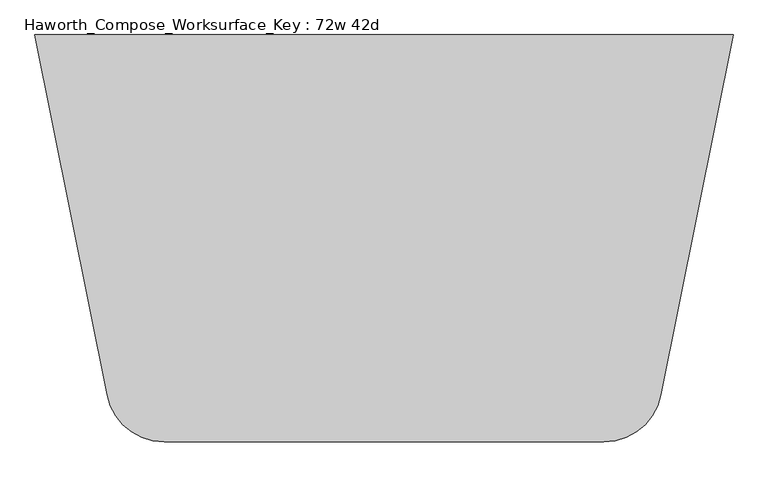
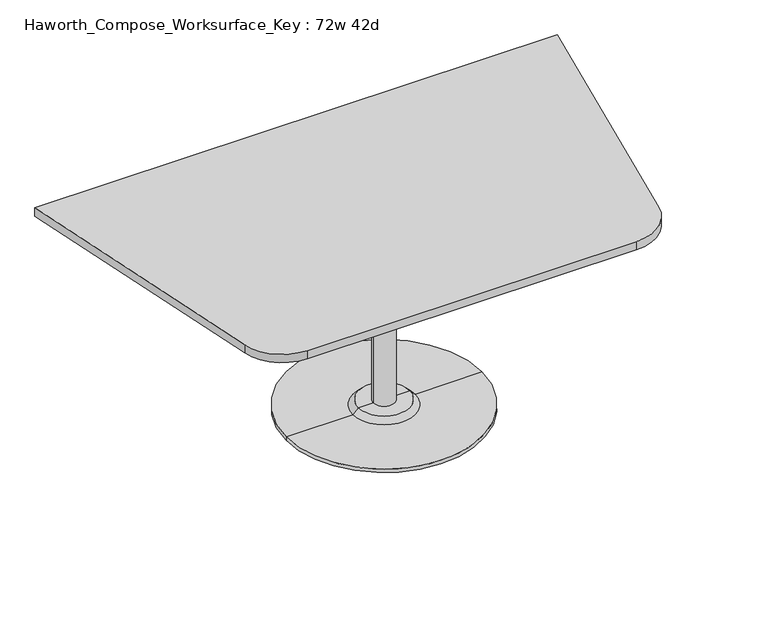
"""IFC4 building model written with IfcOpenShell, lengths in millimetres: furniture geometry, Haworth_Compose_Worksurface_Key : 72w 42d."""

import ifcopenshell
import ifcopenshell.guid

model = None  # the IFC model being written
_history = None  # IfcOwnerHistory: only IFC2X3 demands one
_inside = {}  # id of a spatial element -> (the spatial element, [elements in it])
_under = {}  # id of a project, library or spatial element -> (it, [spatial elements below it])
_declared = {}  # id of a project -> (the project, [libraries it declares])
_typed = {}  # id of a type object -> (the type object, [elements of that type])
_made_of = {}  # id of a material, layer set ... -> (it, [elements and type objects made of it])


def new_model(schema):
    """Start an empty IFC model of exactly this schema.

    Asked for "IFC4X3", IfcOpenShell would pick the latest addendum, in which some entities
    have other attributes; the version numbers below select the first issue.
    IFC2X3 requires an IfcOwnerHistory on every rooted entity: one is made here for all.
    """
    global model, _history
    if schema == "IFC4X3":
        model = ifcopenshell.file(schema_version=(4, 3, 0, 0))
    else:
        model = ifcopenshell.file(schema=schema)
    _inside.clear()
    _under.clear()
    _declared.clear()
    _typed.clear()
    _made_of.clear()
    _history = None
    if model.schema == "IFC2X3":
        org = make("IfcOrganization", Name="unknown")
        user = make(
            "IfcPersonAndOrganization",
            ThePerson=make("IfcPerson", FamilyName="unknown"),
            TheOrganization=org,
        )
        app = make(
            "IfcApplication",
            ApplicationDeveloper=org,
            Version="unknown",
            ApplicationFullName="unknown",
            ApplicationIdentifier="unknown",
        )
        _history = make(
            "IfcOwnerHistory",
            OwningUser=user,
            OwningApplication=app,
            ChangeAction="ADDED",
            CreationDate=0,
        )
    return model


def make(cls, **values):
    """One entity of the class cls with the attributes given. An attribute that is None is left unset."""
    return model.create_entity(
        cls, **{name: value for name, value in values.items() if value is not None}
    )


def rooted(cls, **values):
    """An entity with a GlobalId (a new one), such as an element, a storey or a relation."""
    return make(cls, GlobalId=ifcopenshell.guid.new(), OwnerHistory=_history, **values)


def si_unit(unit_type, name, prefix=None):
    """IfcSIUnit, for example si_unit("LENGTHUNIT", "METRE", prefix="MILLI")."""
    return make("IfcSIUnit", UnitType=unit_type, Prefix=prefix, Name=name)


def assignment(units):
    """IfcUnitAssignment: the units of a project."""
    return None if units is None else make("IfcUnitAssignment", Units=units)


def point(xyz):
    """IfcCartesianPoint."""
    return None if xyz is None else make("IfcCartesianPoint", Coordinates=xyz)


def direction(xyz):
    """IfcDirection."""
    return None if xyz is None else make("IfcDirection", DirectionRatios=xyz)


def frame(location, z_axis=None, x_axis=None):
    """IfcAxis2Placement3D, a coordinate frame: its origin and axes. An axis left out is left unset."""
    return make(
        "IfcAxis2Placement3D",
        Location=point(location),
        Axis=direction(z_axis),
        RefDirection=direction(x_axis),
    )


def frame_2d(location, x_axis=None):
    """IfcAxis2Placement2D, a coordinate frame in the plane: its origin and x axis."""
    return make(
        "IfcAxis2Placement2D", Location=point(location), RefDirection=direction(x_axis)
    )


def origin():
    """The frame at (0, 0, 0) with its axes left unset."""
    return frame((0.0, 0.0, 0.0))


def place(relative_to, where):
    """IfcLocalPlacement: puts the frame where relative to a parent placement (None: the world)."""
    return make(
        "IfcLocalPlacement", PlacementRelTo=relative_to, RelativePlacement=where
    )


def context(
    kind, dimensions, precision=None, world=None, true_north=None, identifier=None
):
    """IfcGeometricRepresentationContext, for example the 3D "Model" context."""
    return make(
        "IfcGeometricRepresentationContext",
        ContextIdentifier=identifier,
        ContextType=kind,
        CoordinateSpaceDimension=dimensions,
        Precision=precision,
        WorldCoordinateSystem=world,
        TrueNorth=true_north,
    )


def project(units=None, contexts=None):
    """IfcProject with its units and contexts."""
    return rooted(
        "IfcProject",
        Name="project",
        RepresentationContexts=contexts,
        UnitsInContext=assignment(units),
    )


def spatial(cls, under=None, at=None, **own):
    """A site, building, storey or space (cls), placed at a placement, below another one or the project."""
    s = rooted(cls, ObjectPlacement=at, **own)
    if under is not None:
        _under.setdefault(under.id(), (under, []))[1].append(s)
    return s


def polyline(points):
    """IfcPolyline through the points."""
    return make("IfcPolyline", Points=[point(p) for p in points])


def circle_curve(where, radius):
    """IfcCircle in the frame where."""
    return make("IfcCircle", Position=where, Radius=radius)


def trimmed(basis, trim1, trim2, sense, master):
    """IfcTrimmedCurve: the piece of a basis curve between two trims."""
    return make(
        "IfcTrimmedCurve",
        BasisCurve=basis,
        Trim1=trim1,
        Trim2=trim2,
        SenseAgreement=sense,
        MasterRepresentation=master,
    )


def segment(curve, same_sense, transition):
    """IfcCompositeCurveSegment."""
    return make(
        "IfcCompositeCurveSegment",
        Transition=transition,
        SameSense=same_sense,
        ParentCurve=curve,
    )


def composite_curve(segments, self_intersect=None):
    """IfcCompositeCurve: segments joined end to end."""
    return make("IfcCompositeCurve", Segments=segments, SelfIntersect=self_intersect)


def outline(outer, holes=None, kind="AREA"):
    """IfcArbitraryClosedProfileDef: a profile drawn as a closed curve; with holes, ...WithVoids."""
    if holes is None:
        return make("IfcArbitraryClosedProfileDef", ProfileType=kind, OuterCurve=outer)
    return make(
        "IfcArbitraryProfileDefWithVoids",
        ProfileType=kind,
        OuterCurve=outer,
        InnerCurves=holes,
    )


def extrude(swept, where, along, depth):
    """IfcExtrudedAreaSolid: the profile swept, set in the frame where, extruded along a direction by depth."""
    return make(
        "IfcExtrudedAreaSolid",
        SweptArea=swept,
        Position=where,
        ExtrudedDirection=direction(along),
        Depth=depth,
    )


def shape(context_of_items, identifier, shape_type, items):
    """IfcShapeRepresentation: the items that make up one representation, for example the "Body"."""
    return make(
        "IfcShapeRepresentation",
        ContextOfItems=context_of_items,
        RepresentationIdentifier=identifier,
        RepresentationType=shape_type,
        Items=items,
    )


def source(mapping_origin, context_of_items, identifier, shape_type, items):
    """IfcRepresentationMap: a shape defined once, which mapped items show again and again."""
    return make(
        "IfcRepresentationMap",
        MappingOrigin=mapping_origin,
        MappedRepresentation=shape(context_of_items, identifier, shape_type, items),
    )


def transform(
    local_origin,
    x_axis=None,
    y_axis=None,
    z_axis=None,
    scale=None,
    scale2=None,
    scale3=None,
    uniform=True,
):
    """IfcCartesianTransformationOperator3D, or its non-uniform kind. x_axis, y_axis, z_axis: its Axis1, 2, 3."""
    if uniform:
        return make(
            "IfcCartesianTransformationOperator3D",
            Axis1=direction(x_axis),
            Axis2=direction(y_axis),
            LocalOrigin=point(local_origin),
            Scale=scale,
            Axis3=direction(z_axis),
        )
    return make(
        "IfcCartesianTransformationOperator3DnonUniform",
        Axis1=direction(x_axis),
        Axis2=direction(y_axis),
        LocalOrigin=point(local_origin),
        Scale=scale,
        Axis3=direction(z_axis),
        Scale2=scale2,
        Scale3=scale3,
    )


def mapped(mapping_source, mapping_target):
    """IfcMappedItem: shows the shape of a source again, moved by a transform."""
    return make(
        "IfcMappedItem", MappingSource=mapping_source, MappingTarget=mapping_target
    )


def made_of(thing, what):
    """Note that an element or type object is made of a material, layer set ...; save() writes the relation."""
    if what is not None:
        _made_of.setdefault(what.id(), (what, []))[1].append(thing)
    return thing


def element(
    cls,
    number,
    at=None,
    inside=None,
    cuts=None,
    type_object=None,
    material=None,
    context=None,
    identifier="Body",
    shape_type=None,
    held_by="IfcProductDefinitionShape",
    body=None,
    shapes=None,
    **own,
):
    """One element of the class cls, such as IfcWall. Its Tag is "e" and its number.

    at: its placement. inside: the storey or other place that contains it. cuts: it is an
    opening in that element (IfcRelVoidsElement). A single representation is given by context,
    identifier, shape_type and body (its items); several are given by shapes. held_by: the class
    of the entity that holds the representations. save() writes the other relations.
    """
    e = rooted(cls, Tag="e%d" % number, ObjectPlacement=at, **own)
    if body is not None:
        shapes = [shape(context, identifier, shape_type, body)]
    if shapes is not None:
        e.Representation = make(held_by, Representations=shapes)
    if inside is not None:
        _inside.setdefault(inside.id(), (inside, []))[1].append(e)
    if cuts is not None:
        rooted(
            "IfcRelVoidsElement", RelatingBuildingElement=cuts, RelatedOpeningElement=e
        )
    if type_object is not None:
        _typed.setdefault(type_object.id(), (type_object, []))[1].append(e)
    return made_of(e, material)


def aggregate(whole, parts):
    """IfcRelAggregates: a whole, such as a stair, and the parts it consists of."""
    return rooted("IfcRelAggregates", RelatingObject=whole, RelatedObjects=parts)


def save(model, path):
    """Write the relations noted so far, then the file.

    IfcRelAggregates (storeys below a building ...), IfcRelContainedInSpatialStructure (elements
    in a storey), IfcRelDefinesByType, IfcRelAssociatesMaterial and IfcRelDeclares: one each for
    every whole, place, type object, material and project.
    """
    for whole, parts in _under.values():
        aggregate(whole, parts)
    for where, things in _inside.values():
        rooted(
            "IfcRelContainedInSpatialStructure",
            RelatedElements=things,
            RelatingStructure=where,
        )
    for kind, things in _typed.values():
        rooted("IfcRelDefinesByType", RelatedObjects=things, RelatingType=kind)
    for what, things in _made_of.values():
        rooted("IfcRelAssociatesMaterial", RelatedObjects=things, RelatingMaterial=what)
    for by, libraries in _declared.values():
        rooted("IfcRelDeclares", RelatingContext=by, RelatedDefinitions=libraries)
    model.write(path)


def plane_surface(at):
    """IfcPlane: the flat surface through the origin of the frame at, square to its z axis."""
    return make("IfcPlane", Position=at)


def cylinder_surface(at, radius):
    """IfcCylindricalSurface: all points at the distance radius from the z axis of the frame at."""
    return make("IfcCylindricalSurface", Position=at, Radius=radius)


def revolved_surface(curve, axis_point, axis_direction):
    """IfcSurfaceOfRevolution: the curve turned about the line through axis_point along axis_direction."""
    return make(
        "IfcSurfaceOfRevolution",
        SweptCurve=make("IfcArbitraryOpenProfileDef", ProfileType="CURVE", Curve=curve),
        AxisPosition=make("IfcAxis1Placement", Location=point(axis_point), Axis=direction(axis_direction)),
    )


def advanced_brep(points, edges, surfaces, faces):
    """IfcAdvancedBrep: a solid bounded by faces that lie on surfaces and meet in shared edges.

    An edge is (start, end): straight between two places in points (the first is 0);
    or (start, end, curve); or (start, end, curve, False) where it runs against its curve.
    A face is (place in surfaces, loops), or (place, loops, False) where it looks against
    its surface's normal. A loop lists edges by number (the first is 1), with a minus sign
    where the edge is run from its end to its start. The first loop is the outer one.
    """
    corners = [point(p) for p in points]
    vertices = [make("IfcVertexPoint", VertexGeometry=c) for c in corners]
    made = []
    for start, end, *more in edges:
        made.append(
            make(
                "IfcEdgeCurve",
                EdgeStart=vertices[start],
                EdgeEnd=vertices[end],
                EdgeGeometry=more[0] if more else make("IfcPolyline", Points=[corners[start], corners[end]]),
                SameSense=more[1] if len(more) > 1 else True,
            )
        )
    hull = []
    for where, loops, *sense in faces:
        bounds = []
        for j, loop in enumerate(loops):
            ring = [make("IfcOrientedEdge", EdgeElement=made[abs(k) - 1], Orientation=k > 0) for k in loop]
            bounds.append(
                make(
                    "IfcFaceOuterBound" if j == 0 else "IfcFaceBound",
                    Bound=make("IfcEdgeLoop", EdgeList=ring),
                    Orientation=True,
                )
            )
        hull.append(make("IfcAdvancedFace", Bounds=bounds, FaceSurface=surfaces[where], SameSense=sense[0] if sense else True))
    return make("IfcAdvancedBrep", Outer=make("IfcClosedShell", CfsFaces=hull))


def haworth_compose_worksurface_key_72w_42d_b5180f62(model_context):
    return source(origin(), model_context, "Body", "SolidModel", [
        advanced_brep(
        [(38.1, 139.7, 706.4375), (-38.1, 139.7, 706.4375), (0.0, 139.7, 706.4375), (38.1, 139.7, 31.75), (-38.1, 139.7, 31.75), (89.723978, 139.7, 31.75), (-89.723978, 139.7, 31.75), (342.9, 139.7, 0.0), (-342.9, 139.7, 0.0), (-342.9, 139.7, 12.7), (342.9, 139.7, 12.7), (0.0, 139.7, 0.0), (108.773978, 139.7, 12.7), (-108.773978, 139.7, 12.7)],
        [
            (0, 1, circle_curve(frame((0.0, 139.7, 706.4375), z_axis=(0.0, 0.0, 1.0), x_axis=(-1.0, 0.0, 0.0)), 38.1)),
            (1, 2),
            (2, 0),
            (1, 0, circle_curve(frame((0.0, 139.7, 706.4375), z_axis=(0.0, 0.0, 1.0), x_axis=(-1.0, 0.0, 0.0)), 38.1)),
            (3, 4, circle_curve(frame((0.0, 139.7, 31.75), z_axis=(0.0, 0.0, 1.0), x_axis=(-1.0, 0.0, 0.0)), 38.1)),
            (4, 1),
            (0, 3),
            (4, 3, circle_curve(frame((0.0, 139.7, 31.75), z_axis=(0.0, 0.0, 1.0), x_axis=(-1.0, 0.0, 0.0)), 38.1)),
            (5, 6, circle_curve(frame((0.0, 139.7, 31.75), z_axis=(0.0, 0.0, 1.0), x_axis=(-1.0, 0.0, 0.0)), 89.723978)),
            (6, 4),
            (3, 5),
            (6, 5, circle_curve(frame((0.0, 139.7, 31.75), z_axis=(0.0, 0.0, 1.0), x_axis=(-1.0, 0.0, 0.0)), 89.723978)),
            (7, 8, circle_curve(frame((0.0, 139.7, 0.0), z_axis=(0.0, 0.0, 1.0), x_axis=(-1.0, 0.0, 0.0)), 342.9)),
            (8, 9),
            (9, 10, circle_curve(frame((0.0, 139.7, 12.7), z_axis=(0.0, 0.0, -1.0), x_axis=(-1.0, 0.0, 0.0)), 342.9)),
            (10, 7),
            (8, 7, circle_curve(frame((0.0, 139.7, 0.0), z_axis=(0.0, 0.0, 1.0), x_axis=(-1.0, 0.0, 0.0)), 342.9)),
            (10, 9, circle_curve(frame((0.0, 139.7, 12.7), z_axis=(0.0, 0.0, -1.0), x_axis=(-1.0, 0.0, 0.0)), 342.9)),
            (11, 8),
            (7, 11),
            (12, 13, circle_curve(frame((0.0, 139.7, 12.7), z_axis=(0.0, 0.0, 1.0), x_axis=(-1.0, 0.0, 0.0)), 108.773978)),
            (13, 6),
            (5, 12),
            (13, 12, circle_curve(frame((0.0, 139.7, 12.7), z_axis=(0.0, 0.0, 1.0), x_axis=(-1.0, 0.0, 0.0)), 108.773978)),
            (9, 13),
            (12, 10),
        ],
        [
            plane_surface(frame((0.0, 139.7, 706.4375), z_axis=(0.0, 0.0, 1.0), x_axis=(-1.0, 0.0, 0.0))),
            cylinder_surface(frame((0.0, 139.7, 889.623257), z_axis=(0.0, 0.0, -1.0), x_axis=(-1.0, 0.0, 0.0)), 38.1),
            plane_surface(frame((0.0, 139.7, 31.75), z_axis=(0.0, 0.0, 1.0), x_axis=(-1.0, 0.0, 0.0))),
            cylinder_surface(frame((0.0, 139.7, 889.623257), z_axis=(0.0, 0.0, -1.0), x_axis=(-1.0, 0.0, 0.0)), 342.9),
            plane_surface(frame((0.0, 139.7, 0.0), z_axis=(0.0, 0.0, -1.0), x_axis=(-1.0, 0.0, 0.0))),
            revolved_surface(polyline([(-89.723978, 139.7, 31.75), (-108.773978, 139.7, 12.7)]), (0.0, 139.7, 889.623257), (0.0, 0.0, -1.0)),
            plane_surface(frame((0.0, 139.7, 12.7), z_axis=(0.0, 0.0, 1.0), x_axis=(-1.0, 0.0, 0.0))),
        ],
        [
            (0, [[1, 2, 3]]),
            (0, [[4, -3, -2]]),
            (1, [[5, 6, -1, 7]]),
            (1, [[8, -7, -4, -6]]),
            (2, [[9, 10, -5, 11]]),
            (2, [[12, -11, -8, -10]]),
            (3, [[13, 14, 15, 16]]),
            (3, [[17, -16, 18, -14]]),
            (4, [[19, -13, 20]]),
            (4, [[-20, -17, -19]]),
            (5, [[21, 22, -9, 23]]),
            (5, [[24, -23, -12, -22]]),
            (6, [[-15, 25, -21, 26]]),
            (6, [[-18, -26, -24, -25]]),
        ],
    ),
        extrude(outline(composite_curve([segment(polyline([(914.4, 673.1), (725.5423802, -271.188099)]), True, "CONTINUOUS"), segment(trimmed(circle_curve(frame_2d((576.1018852, -241.3)), 152.4), [point((725.5423802, -271.188099))], [point((576.1018852, -393.7))], False, "CARTESIAN"), True, "CONTINUOUS"), segment(polyline([(576.1018852, -393.7), (-576.1018852, -393.7)]), True, "CONTINUOUS"), segment(trimmed(circle_curve(frame_2d((-576.1018852, -241.3)), 152.4), [point((-576.1018852, -393.7))], [point((-725.5423802, -271.188099))], False, "CARTESIAN"), True, "CONTINUOUS"), segment(polyline([(-725.5423802, -271.188099), (-914.4, 673.1), (914.4, 673.1)]), True, "CONTINUOUS")], self_intersect=False)), frame((0.0, 0.0, 706.4375), z_axis=(0.0, 0.0, 1.0), x_axis=(1.0, 0.0, 0.0)), (0.0, 0.0, 1.0), 30.1625),
    ])


if __name__ == "__main__":
    model = new_model("IFC4")
    model_context = context("Model", 3, world=origin())
    ifc_project = project(units=[si_unit("LENGTHUNIT", "METRE", prefix="MILLI")], contexts=[model_context])
    site = spatial("IfcSite", under=ifc_project)
    building = spatial("IfcBuilding", under=site)
    placement = place(None, origin())
    haworth_compose_worksurface_key_72w_42d_shape = haworth_compose_worksurface_key_72w_42d_b5180f62(model_context)
    element("IfcFurniture", 1, ObjectType="Haworth_Compose_Worksurface_Key : 72w 42d", at=placement, inside=building, context=model_context, shape_type="MappedRepresentation", body=[
        mapped(haworth_compose_worksurface_key_72w_42d_shape, transform((0.0, 0.0, 0.0), x_axis=(1.0, 0.0, 0.0), y_axis=(0.0, 1.0, 0.0), z_axis=(0.0, 0.0, 1.0))),
    ])
    save(model, "model.ifc")
